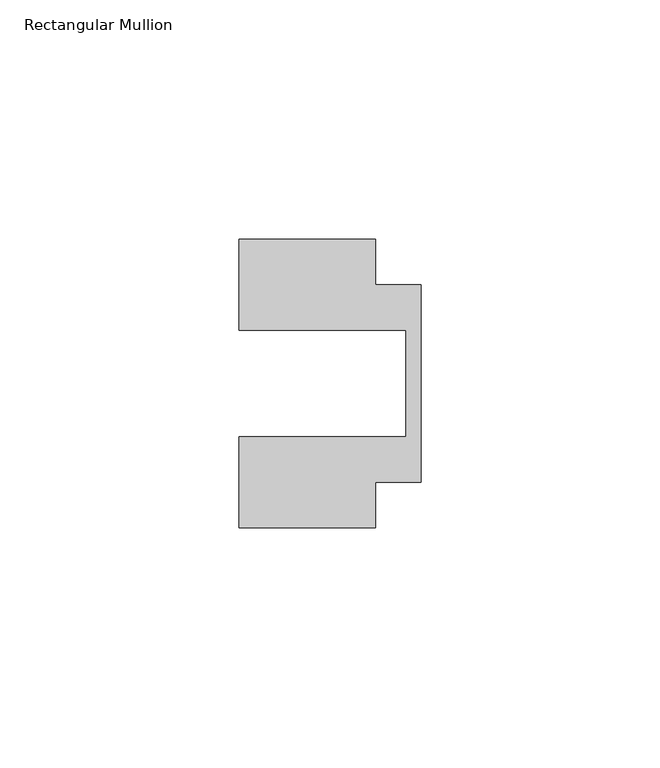
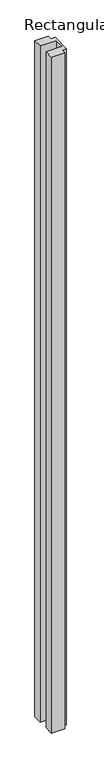
"""IFC4 building model written with IfcOpenShell, lengths in millimetres: member geometry, Rectangular Mullion."""

from ifc_helpers import new_model, si_unit, frame, origin, place, context, project, spatial, polyline, outline, extrude, source, transform, mapped, element, save


def rectangular_mullion_2687bdf5(model_context):
    return source(origin(), model_context, "Body", "SweptSolid", [
        extrude(outline(polyline([(-38.1, 11.1125), (-38.1, 30.1625), (-9.525, 30.1625), (-9.525, 20.6375), (0.0, 20.6375), (0.0, -20.6375), (-9.525, -20.6375), (-9.525, -30.1625), (-38.1, -30.1625), (-38.1, -11.1125), (-3.175, -11.1125), (-3.175, 11.1125), (-38.1, 11.1125)])), frame((0.0, 0.0, -1527.175), z_axis=(0.0, 0.0, 1.0), x_axis=(1.0, 0.0, 0.0)), (0.0, 0.0, 1.0), 1527.175),
    ])


if __name__ == "__main__":
    model = new_model("IFC4")
    model_context = context("Model", 3, world=origin())
    ifc_project = project(units=[si_unit("LENGTHUNIT", "METRE", prefix="MILLI")], contexts=[model_context])
    site = spatial("IfcSite", under=ifc_project)
    building = spatial("IfcBuilding", under=site)
    placement = place(None, origin())
    rectangular_mullion_shape = rectangular_mullion_2687bdf5(model_context)
    element("IfcMember", 1, ObjectType="Rectangular Mullion", at=placement, inside=building, context=model_context, shape_type="MappedRepresentation", body=[
        mapped(rectangular_mullion_shape, transform((0.0, 0.0, 0.0), x_axis=(1.0, 0.0, 0.0), y_axis=(0.0, 1.0, 0.0), z_axis=(0.0, 0.0, 1.0))),
    ])
    save(model, "model.ifc")
